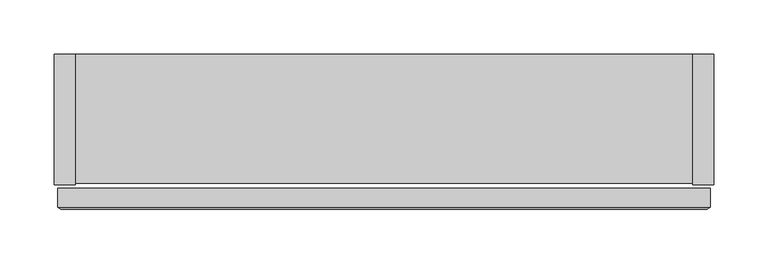
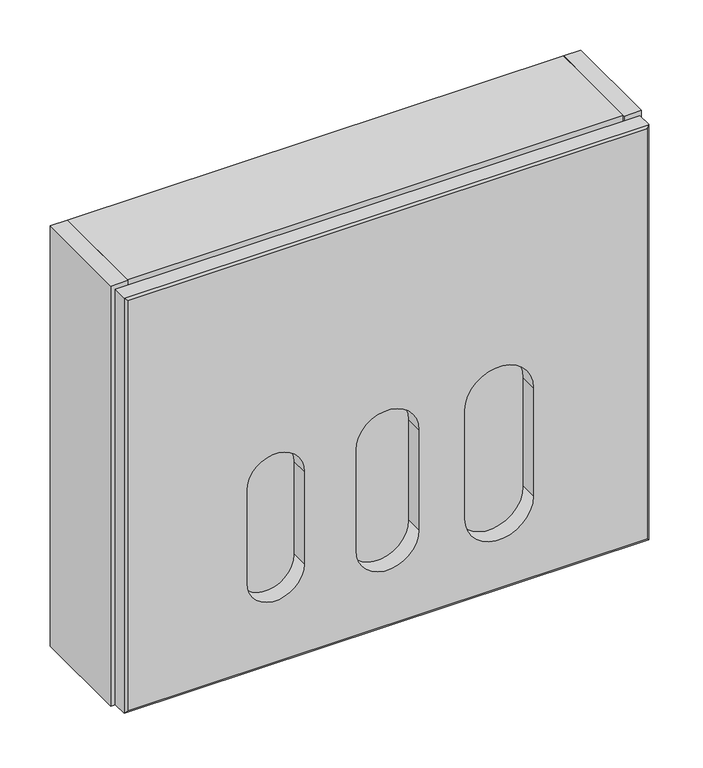
"""IFC4 building model written with IfcOpenShell, lengths in millimetres: furniture geometry."""

from ifc_helpers import new_model, si_unit, frame, origin, place, context, project, spatial, polyline, circle_curve, outline, extrude, source, transform, mapped, element, save
from ifc_brep_helpers import plane_surface, revolved_surface, advanced_brep


def furniture_e9a065fd(model_context):
    return source(origin(), model_context, "Body", "SolidModel", [
        advanced_brep(
        [(320.3627049, -123.8338814, 2116.1375), (-282.8872951, -123.8338814, 2116.1375), (-282.8872951, -141.5673284, 2116.1375), (319.9328447, -141.5673284, 2116.1375), (320.3627049, -141.2830131, 2116.1375), (320.3627049, -123.8338814, 1611.6015291), (320.3627049, -141.2830131, 1611.6015291), (319.9328447, -141.5673284, 1611.6015291), (-282.8872951, -141.5673284, 1611.6015291), (-282.8872951, -123.8338814, 1611.6015291), (-76.8450351, -123.8338814, 1834.559682), (-142.6437351, -123.8338814, 1834.559682), (-142.6437351, -123.8338814, 1721.8879894), (-76.8450351, -123.8338814, 1721.8879894), (54.8031649, -123.8338814, 1839.3346081), (-17.3277551, -123.8338814, 1839.3346081), (-17.3277551, -123.8338814, 1717.1861494), (54.8031649, -123.8338814, 1717.1861494), (186.4361249, -123.8338814, 1844.1854065), (107.8942449, -123.8338814, 1844.1854065), (107.8942449, -123.8338814, 1712.3457493), (186.4361249, -123.8338814, 1712.3457493), (-279.7075114, -143.3857356, 1614.770183), (-279.7122951, -143.383, 2112.9625), (317.1877049, -143.383, 1614.7654161), (317.1877049, -143.383, 2112.9625), (-142.6437351, -143.383, 1834.559682), (-76.8450351, -143.383, 1834.559682), (-76.8450351, -143.383, 1721.8879894), (-142.6437351, -143.383, 1721.8879894), (-17.3277551, -143.383, 1839.3346081), (54.8031649, -143.383, 1839.3346081), (54.8031649, -143.383, 1717.1861494), (-17.3277551, -143.383, 1717.1861494), (107.8942449, -143.383, 1844.1854065), (186.4361249, -143.383, 1844.1854065), (186.4361249, -143.383, 1712.3457493), (107.8942449, -143.383, 1712.3457493)],
        [
            (0, 1),
            (1, 2),
            (2, 3),
            (3, 4),
            (4, 0),
            (5, 6),
            (6, 7),
            (7, 8),
            (8, 9),
            (9, 5),
            (0, 5),
            (9, 1),
            (10, 11, circle_curve(frame((-109.7443851, -123.8338814, 1834.559682), z_axis=(0.0, -1.0, 0.0), x_axis=(-1.0, 0.0, 0.0)), 32.89935)),
            (11, 12),
            (12, 13, circle_curve(frame((-109.7443851, -123.8338814, 1721.8879894), z_axis=(0.0, -1.0, 0.0), x_axis=(-1.0, 0.0, 0.0)), 32.89935)),
            (13, 10),
            (14, 15, circle_curve(frame((18.7377049, -123.8338814, 1839.3346081), z_axis=(0.0, -1.0, 0.0), x_axis=(-1.0, 0.0, 0.0)), 36.06546)),
            (15, 16),
            (16, 17, circle_curve(frame((18.7377049, -123.8338814, 1717.1861494), z_axis=(0.0, -1.0, 0.0), x_axis=(-1.0, 0.0, 0.0)), 36.06546)),
            (17, 14),
            (18, 19, circle_curve(frame((147.1651849, -123.8338814, 1844.1854065), z_axis=(0.0, -1.0, 0.0), x_axis=(-1.0, 0.0, 0.0)), 39.27094)),
            (19, 20),
            (20, 21, circle_curve(frame((147.1651849, -123.8338814, 1712.3457493), z_axis=(0.0, -1.0, 0.0), x_axis=(-1.0, 0.0, 0.0)), 39.27094)),
            (21, 18),
            (8, 2),
            (8, 22),
            (22, 23),
            (23, 2),
            (22, 24),
            (24, 25),
            (25, 23),
            (26, 27, circle_curve(frame((-109.7443851, -143.383, 1834.559682), z_axis=(0.0, 1.0, 0.0), x_axis=(-1.0, 0.0, 0.0)), 32.89935)),
            (27, 28),
            (28, 29, circle_curve(frame((-109.7443851, -143.383, 1721.8879894), z_axis=(0.0, 1.0, 0.0), x_axis=(-1.0, 0.0, 0.0)), 32.89935)),
            (29, 26),
            (30, 31, circle_curve(frame((18.7377049, -143.383, 1839.3346081), z_axis=(0.0, 1.0, 0.0), x_axis=(-1.0, 0.0, 0.0)), 36.06546)),
            (31, 32),
            (32, 33, circle_curve(frame((18.7377049, -143.383, 1717.1861494), z_axis=(0.0, 1.0, 0.0), x_axis=(-1.0, 0.0, 0.0)), 36.06546)),
            (33, 30),
            (34, 35, circle_curve(frame((147.1651849, -143.383, 1844.1854065), z_axis=(0.0, 1.0, 0.0), x_axis=(-1.0, 0.0, 0.0)), 39.27094)),
            (35, 36),
            (36, 37, circle_curve(frame((147.1651849, -143.383, 1712.3457493), z_axis=(0.0, 1.0, 0.0), x_axis=(-1.0, 0.0, 0.0)), 39.27094)),
            (37, 34),
            (6, 4),
            (3, 25),
            (24, 7),
            (10, 27),
            (26, 11),
            (29, 12),
            (28, 13),
            (14, 31),
            (30, 15),
            (33, 16),
            (32, 17),
            (18, 35),
            (34, 19),
            (37, 20),
            (36, 21),
        ],
        [
            plane_surface(frame((-282.8872951, -123.8338814, 2116.1375), z_axis=(0.0, 0.0, 1.0), x_axis=(-1.0, 0.0, 0.0))),
            plane_surface(frame((-282.8872951, -123.8338814, 1611.6015291), z_axis=(0.0, 0.0, -1.0), x_axis=(1.0, 0.0, 0.0))),
            plane_surface(frame((320.3627049, -123.8338814, 2116.1375), z_axis=(0.0, 1.0, 0.0), x_axis=(0.0, 0.0, -1.0))),
            plane_surface(frame((-282.8872951, -123.8338814, 2116.1375), z_axis=(-1.0, 0.0, 0.0), x_axis=(0.0, 0.0, -1.0))),
            plane_surface(frame((-282.8872951, -141.5673284, 2116.1375), z_axis=(-0.4964245632747041, -0.8680798655524268, 0.0), x_axis=(0.0, 0.0, -1.0))),
            plane_surface(frame((-279.7122951, -143.383, 2116.1375), z_axis=(0.0, -1.0, 0.0), x_axis=(0.0, 0.0, -1.0))),
            plane_surface(frame((317.1877049, -143.383, 2116.1375), z_axis=(0.5516629897871268, -0.8340671110283203, 0.0), x_axis=(0.0, 0.0, -1.0))),
            plane_surface(frame((320.3627049, -141.2830131, 2116.1375), z_axis=(1.0, 0.0, 0.0), x_axis=(0.0, 0.0, -1.0))),
            plane_surface(frame((-282.8872951, -141.5673284, 2116.1375), z_axis=(0.0, -0.8680798655322226, 0.49642456331003443), x_axis=(1.0, 0.0, 0.0))),
            plane_surface(frame((-282.8872951, -143.3893914, 1614.7765533), z_axis=(0.0, -0.867328114728689, -0.49773681941481707), x_axis=(1.0, 0.0, 0.0))),
            revolved_surface(polyline([(-142.64373510000001, -143.383, 1834.559682), (-142.64373510000001, -123.8338814, 1834.559682)]), (-109.7443851, -152.4, 1834.559682), (0.0, -1.0, 0.0)),
            plane_surface(frame((-142.6437351, -152.4, 1834.559682), z_axis=(1.0, 0.0, 0.0), x_axis=(0.0, 1.0, 0.0))),
            revolved_surface(polyline([(-142.64373510000001, -143.383, 1721.8879894), (-142.64373510000001, -123.8338814, 1721.8879894)]), (-109.7443851, -152.4, 1721.8879894), (0.0, -1.0, 0.0)),
            plane_surface(frame((-76.8450351, -152.4, 1721.8879894), z_axis=(-1.0, 0.0, 0.0), x_axis=(0.0, 1.0, 0.0))),
            revolved_surface(polyline([(-17.3277551, -143.383, 1839.3346081), (-17.3277551, -123.8338814, 1839.3346081)]), (18.7377049, -152.4, 1839.3346081), (0.0, -1.0, 0.0)),
            plane_surface(frame((-17.3277551, -152.4, 1839.3346081), z_axis=(1.0, 0.0, 0.0), x_axis=(0.0, 1.0, 0.0))),
            revolved_surface(polyline([(-17.3277551, -143.383, 1717.1861494), (-17.3277551, -123.8338814, 1717.1861494)]), (18.7377049, -152.4, 1717.1861494), (0.0, -1.0, 0.0)),
            plane_surface(frame((54.8031649, -152.4, 1717.1861494), z_axis=(-1.0, 0.0, 0.0), x_axis=(0.0, 1.0, 0.0))),
            revolved_surface(polyline([(107.89424490000002, -143.383, 1844.1854065), (107.89424490000002, -123.8338814, 1844.1854065)]), (147.1651849, -152.4, 1844.1854065), (0.0, -1.0, 0.0)),
            plane_surface(frame((107.8942449, -152.4, 1844.1854065), z_axis=(1.0, 0.0, 0.0), x_axis=(0.0, 1.0, 0.0))),
            revolved_surface(polyline([(107.89424490000002, -143.383, 1712.3457493), (107.89424490000002, -123.8338814, 1712.3457493)]), (147.1651849, -152.4, 1712.3457493), (0.0, -1.0, 0.0)),
            plane_surface(frame((186.4361249, -152.4, 1712.3457493), z_axis=(-1.0, 0.0, 0.0), x_axis=(0.0, 1.0, 0.0))),
        ],
        [
            (0, [[1, 2, 3, 4, 5]]),
            (1, [[6, 7, 8, 9, 10]]),
            (2, [[-1, 11, -10, 12], [13, 14, 15, 16], [17, 18, 19, 20], [21, 22, 23, 24]]),
            (3, [[-2, -12, -9, 25]]),
            (4, [[-25, 26, 27, 28]]),
            (5, [[-27, 29, 30, 31], [32, 33, 34, 35], [36, 37, 38, 39], [40, 41, 42, 43]]),
            (6, [[44, -4, 45, -30, 46, -7]]),
            (7, [[-5, -44, -6, -11]]),
            (8, [[-3, -28, -31, -45]]),
            (9, [[-8, -46, -29, -26]]),
            (10, [[47, -32, 48, -13]]),
            (11, [[-48, -35, 49, -14]]),
            (12, [[-49, -34, 50, -15]]),
            (13, [[-47, -16, -50, -33]]),
            (14, [[51, -36, 52, -17]]),
            (15, [[-52, -39, 53, -18]]),
            (16, [[-53, -38, 54, -19]]),
            (17, [[-51, -20, -54, -37]]),
            (18, [[55, -40, 56, -21]]),
            (19, [[-56, -43, 57, -22]]),
            (20, [[-57, -42, 58, -23]]),
            (21, [[-55, -24, -58, -41]]),
        ],
    ),
        extrude(outline(polyline([(303.9916112, 0.0), (323.5377049, 0.0), (323.5377049, -120.6673323), (303.9916112, -120.6673323), (303.9916112, 0.0)])), frame((0.0, 0.0, 1608.4423), z_axis=(0.0, 0.0, 1.0), x_axis=(1.0, 0.0, 0.0)), (0.0, 0.0, 1.0), 510.8702),
        extrude(outline(polyline([(-286.0622951, 0.0), (-266.5042951, 0.0), (-266.5042951, -120.6673323), (-286.0622951, -120.6673323), (-286.0622951, 0.0)])), frame((0.0, 0.0, 1608.4423), z_axis=(0.0, 0.0, 1.0), x_axis=(1.0, 0.0, 0.0)), (0.0, 0.0, 1.0), 510.8702),
        extrude(outline(polyline([(-266.5042951, 0.0), (303.9916112, 0.0), (303.9916112, -119.1434064), (-266.5042951, -119.1434064), (-266.5042951, 0.0)])), frame((0.0, 0.0, 1608.4423), z_axis=(0.0, 0.0, 1.0), x_axis=(1.0, 0.0, 0.0)), (0.0, 0.0, 1.0), 510.8702),
    ])


if __name__ == "__main__":
    model = new_model("IFC4")
    model_context = context("Model", 3, world=origin())
    ifc_project = project(units=[si_unit("LENGTHUNIT", "METRE", prefix="MILLI")], contexts=[model_context])
    site = spatial("IfcSite", under=ifc_project)
    building = spatial("IfcBuilding", under=site)
    placement = place(None, origin())
    furniture_shape = furniture_e9a065fd(model_context)
    element("IfcFurniture", 1, at=placement, inside=building, context=model_context, shape_type="MappedRepresentation", body=[
        mapped(furniture_shape, transform((0.0, 0.0, 0.0), x_axis=(1.0, 0.0, 0.0), y_axis=(0.0, 1.0, 0.0), z_axis=(0.0, 0.0, 1.0))),
    ])
    save(model, "model.ifc")
